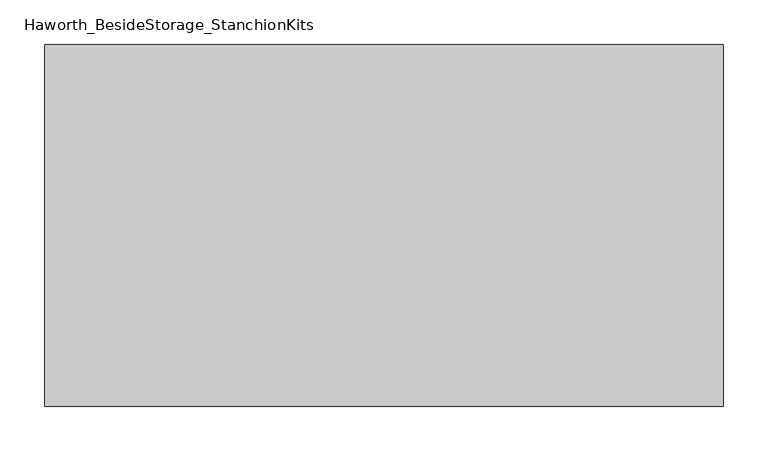
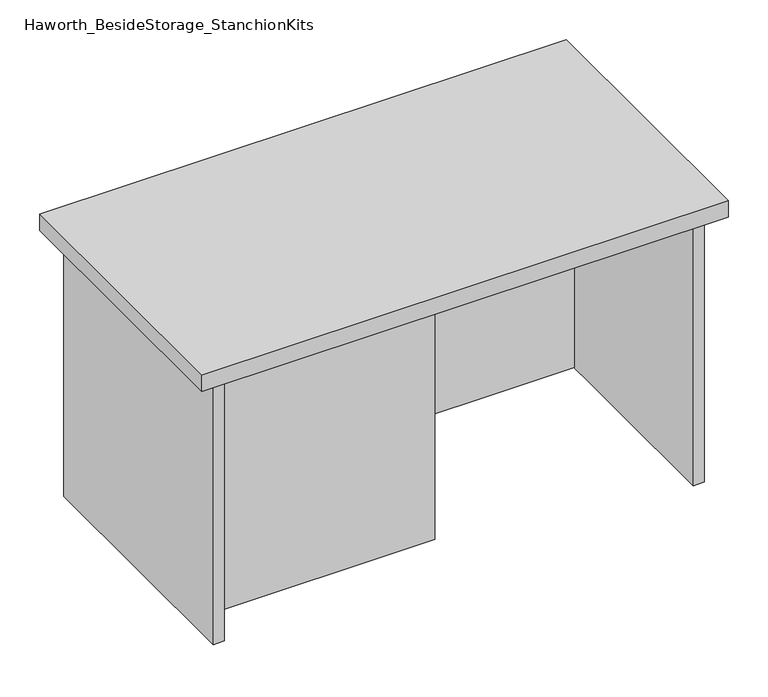
"""IFC4 building model written with IfcOpenShell, lengths in millimetres: furniture geometry, Haworth_BesideStorage_StanchionKits."""

from ifc_helpers import new_model, si_unit, frame, origin, place, context, project, spatial, polyline, outline, extrude, source, transform, mapped, element, save


def haworth_besidestorage_stanchionkits_ce935597(model_context):
    return source(origin(), model_context, "Body", "SweptSolid", [
        extrude(outline(polyline([(542.925, 0.0), (542.925, -406.4), (-219.075, -406.4), (-219.075, 0.0), (542.925, 0.0)])), frame((0.0, 0.0, 838.2), z_axis=(0.0, 0.0, 1.0), x_axis=(1.0, 0.0, 0.0)), (0.0, 0.0, 1.0), 25.4),
        extrude(outline(polyline([(161.925, -76.2), (501.65, -76.2), (501.65, -92.075), (161.925, -92.075), (161.925, -76.2)])), frame((0.0, 0.0, 431.8), z_axis=(0.0, 0.0, 1.0), x_axis=(1.0, 0.0, 0.0)), (0.0, 0.0, 1.0), 406.4),
        extrude(outline(polyline([(161.925, -314.325), (161.925, -330.2), (-177.8, -330.2), (-177.8, -314.325), (161.925, -314.325)])), frame((0.0, 0.0, 431.8), z_axis=(0.0, 0.0, 1.0), x_axis=(1.0, 0.0, 0.0)), (0.0, 0.0, 1.0), 406.4),
        extrude(outline(polyline([(517.525, -390.525), (501.65, -390.525), (501.65, -15.875), (517.525, -15.875), (517.525, -390.525)])), frame((0.0, 0.0, 431.8), z_axis=(0.0, 0.0, 1.0), x_axis=(1.0, 0.0, 0.0)), (0.0, 0.0, 1.0), 406.4),
        extrude(outline(polyline([(-177.8, -390.525), (-193.675, -390.525), (-193.675, -15.875), (-177.8, -15.875), (-177.8, -390.525)])), frame((0.0, 0.0, 431.8), z_axis=(0.0, 0.0, 1.0), x_axis=(1.0, 0.0, 0.0)), (0.0, 0.0, 1.0), 406.4),
    ])


if __name__ == "__main__":
    model = new_model("IFC4")
    model_context = context("Model", 3, world=origin())
    ifc_project = project(units=[si_unit("LENGTHUNIT", "METRE", prefix="MILLI")], contexts=[model_context])
    site = spatial("IfcSite", under=ifc_project)
    building = spatial("IfcBuilding", under=site)
    placement = place(None, origin())
    haworth_besidestorage_stanchionkits_shape = haworth_besidestorage_stanchionkits_ce935597(model_context)
    element("IfcFurniture", 1, ObjectType="Haworth_BesideStorage_StanchionKits", at=placement, inside=building, context=model_context, shape_type="MappedRepresentation", body=[
        mapped(haworth_besidestorage_stanchionkits_shape, transform((0.0, 0.0, 0.0), x_axis=(1.0, 0.0, 0.0), y_axis=(0.0, 1.0, 0.0), z_axis=(0.0, 0.0, 1.0))),
    ])
    save(model, "model.ifc")
